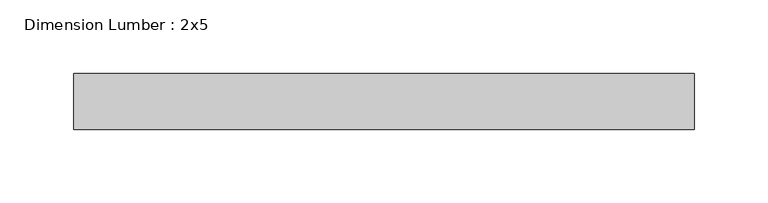
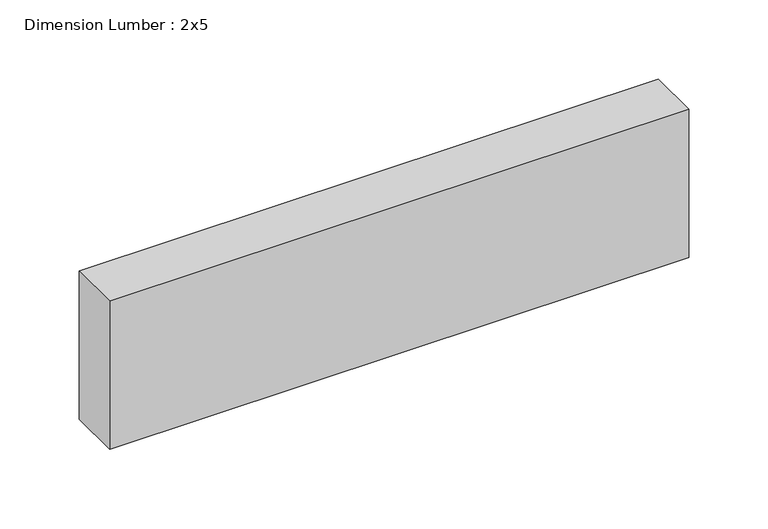
"""IFC4 building model written with IfcOpenShell, lengths in millimetres: beam geometry, Dimension Lumber : 2x5."""

from ifc_helpers import new_model, si_unit, frame, origin, place, context, project, spatial, polyline, outline, extrude, source, transform, mapped, element, save


def dimension_lumber_2x5_aa663b89(model_context):
    return source(origin(), model_context, "Body", "SweptSolid", [
        extrude(outline(polyline([(208.4364399, 19.05), (208.4364399, -19.05), (-212.9561123, -19.05), (-212.9561123, 19.05), (208.4364399, 19.05)])), frame((0.0, 0.0, -57.15), z_axis=(0.0, 0.0, 1.0), x_axis=(1.0, 0.0, 0.0)), (0.0, 0.0, 1.0), 114.3),
    ])


if __name__ == "__main__":
    model = new_model("IFC4")
    model_context = context("Model", 3, world=origin())
    ifc_project = project(units=[si_unit("LENGTHUNIT", "METRE", prefix="MILLI")], contexts=[model_context])
    site = spatial("IfcSite", under=ifc_project)
    building = spatial("IfcBuilding", under=site)
    placement = place(None, origin())
    dimension_lumber_2x5_shape = dimension_lumber_2x5_aa663b89(model_context)
    element("IfcBeam", 1, ObjectType="Dimension Lumber : 2x5", at=placement, inside=building, context=model_context, shape_type="MappedRepresentation", body=[
        mapped(dimension_lumber_2x5_shape, transform((0.0, 0.0, 0.0), x_axis=(1.0, 0.0, 0.0), y_axis=(0.0, 1.0, 0.0), z_axis=(0.0, 0.0, 1.0))),
    ])
    save(model, "model.ifc")
